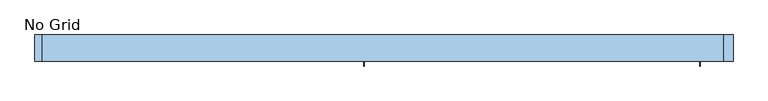
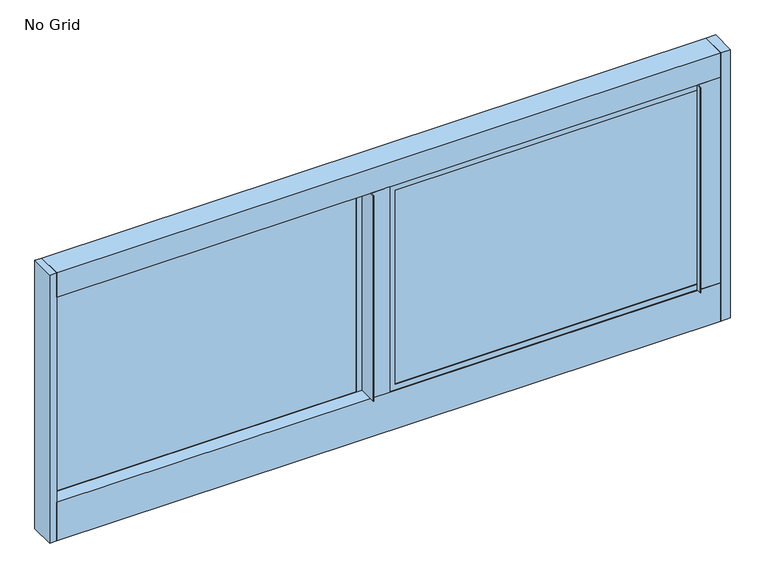
"""IFC4 building model written with IfcOpenShell, lengths in millimetres: window geometry, No Grid."""

from ifc_helpers import new_model, si_unit, point, frame, frame_2d, origin, place, context, project, spatial, polyline, circle_curve, trimmed, segment, composite_curve, outline, extrude, faceted_brep, source, transform, mapped, element, save


def no_grid_cf1e9272(model_context):
    return source(origin(), model_context, "Body", "SolidModel", [
        extrude(outline(polyline([(-52.6034, 21.6408), (-52.6034, 73.076068), (-0.762, 73.076068), (-0.762, 34.3408), (-51.0794, 34.3408), (-51.0794, 21.6408), (-52.6034, 21.6408)])), frame((0.0, 0.0, 1023.8232), z_axis=(0.0, 0.0, 1.0), x_axis=(1.0, 0.0, 0.0)), (0.0, 0.0, 1.0), 582.7268),
        extrude(outline(composite_curve([segment(polyline([(850.925936, 73.076068), (888.0602, 73.076068), (888.0602, 34.3408), (827.9384, 34.3408), (827.9384, 21.6408), (826.4144, 21.6408), (826.4144, 35.9156), (842.2894, 35.9156), (842.2894, 64.439532)]), True, "CONTINUOUS"), segment(trimmed(circle_curve(frame_2d((850.925936, 64.439532)), 8.636536), [point((842.2894, 64.439532))], [point((850.925936, 73.076068))], False, "CARTESIAN"), True, "CONTINUOUS")], self_intersect=False)), frame((0.0, 0.0, 1023.8232), z_axis=(0.0, 0.0, 1.0), x_axis=(1.0, 0.0, 0.0)), (0.0, 0.0, 1.0), 582.7268),
        extrude(outline(polyline([(-52.6034, 103.1748), (-0.762, 103.1748), (-0.762, 73.076068), (-52.6034, 73.076068), (-52.6034, 103.1748)])), frame((0.0, 0.0, 1007.9482), z_axis=(0.0, 0.0, 1.0), x_axis=(1.0, 0.0, 0.0)), (0.0, 0.0, 1.0), 614.4768),
        extrude(outline(polyline([(103.1748, 914.4), (34.3408, 914.4), (34.3408, 1023.8232), (73.076068, 1023.8232), (73.076068, 1007.9482), (103.1748, 1007.9482), (103.1748, 914.4)])), frame((-895.6548, 0.0, 0.0), z_axis=(1.0, 0.0, 0.0), x_axis=(0.0, 1.0, 0.0)), (0.0, 0.0, 1.0), 1783.715),
        extrude(outline(polyline([(103.1748, 1622.425), (73.076068, 1622.425), (73.076068, 1606.55), (34.3408, 1606.55), (34.3408, 1676.4), (103.1748, 1676.4), (103.1748, 1622.425)])), frame((-895.6548, 0.0, 0.0), z_axis=(1.0, 0.0, 0.0), x_axis=(0.0, 1.0, 0.0)), (0.0, 0.0, 1.0), 1783.715),
        extrude(outline(polyline([(-879.7798, 74.9807949), (-879.7798, 78.1557949), (-68.4784, 78.1557949), (-68.4784, 74.9807949), (-879.7798, 74.9807949)])), frame((0.0, 0.0, 1023.8232), z_axis=(0.0, 0.0, 1.0), x_axis=(1.0, 0.0, 0.0)), (0.0, 0.0, 1.0), 582.7268),
        extrude(outline(polyline([(-879.7798, 81.9911949), (-879.7798, 85.1661949), (-68.4784, 85.1661949), (-68.4784, 81.9911949), (-879.7798, 81.9911949)])), frame((0.0, 0.0, 1023.8232), z_axis=(0.0, 0.0, 1.0), x_axis=(1.0, 0.0, 0.0)), (0.0, 0.0, 1.0), 582.7268),
        extrude(outline(polyline([(888.0602, 103.1748), (914.4, 103.1748), (914.4, 34.3408), (888.0602, 34.3408), (888.0602, 103.1748)])), frame((0.0, 0.0, 914.4), z_axis=(0.0, 0.0, 1.0), x_axis=(1.0, 0.0, 0.0)), (0.0, 0.0, 1.0), 762.0),
        extrude(outline(polyline([(-895.6548, 103.1748), (-895.6548, 34.3408), (-914.4, 34.3408), (-914.4, 103.1748), (-895.6548, 103.1748)])), frame((0.0, 0.0, 914.4), z_axis=(0.0, 0.0, 1.0), x_axis=(1.0, 0.0, 0.0)), (0.0, 0.0, 1.0), 762.0),
        extrude(outline(polyline([(826.4144, 40.9953269), (826.4144, 37.8203269), (15.113, 37.8203269), (15.113, 40.9953269), (826.4144, 40.9953269)])), frame((0.0, 0.0, 1039.6982), z_axis=(0.0, 0.0, 1.0), x_axis=(1.0, 0.0, 0.0)), (0.0, 0.0, 1.0), 550.9768),
        extrude(outline(polyline([(826.4144, 48.0057269), (826.4144, 44.8307269), (15.113, 44.8307269), (15.113, 48.0057269), (826.4144, 48.0057269)])), frame((0.0, 0.0, 1039.6982), z_axis=(0.0, 0.0, 1.0), x_axis=(1.0, 0.0, 0.0)), (0.0, 0.0, 1.0), 550.9768),
        faceted_brep([(839.1906, 37.8203269, 1603.4512), (839.1906, 48.0057269, 1603.4512), (839.1906, 48.0057269, 1026.922), (839.1906, 37.8203269, 1026.922), (826.4144, 35.9156, 1590.675), (826.4144, 37.8203269, 1590.675), (826.4144, 37.8203269, 1039.6982), (826.4144, 35.9156, 1039.6982), (842.2894, 64.439532, 1606.55), (842.2894, 35.9156, 1606.55), (842.2894, 35.9156, 1023.8232), (842.2894, 64.439532, 1023.8232), (826.4144, 48.0057269, 1590.675), (826.4144, 64.439532, 1590.675), (826.4144, 64.439532, 1039.6982), (826.4144, 48.0057269, 1039.6982), (2.3368, 48.0057269, 1026.922), (2.3368, 37.8203269, 1026.922), (15.113, 37.8203269, 1039.6982), (15.113, 35.9156, 1039.6982), (-0.762, 35.9156, 1023.8232), (-0.762, 64.439532, 1023.8232), (15.113, 64.439532, 1039.6982), (15.113, 48.0057269, 1039.6982), (2.3368, 48.0057269, 1603.4512), (2.3368, 37.8203269, 1603.4512), (15.113, 37.8203269, 1590.675), (15.113, 35.9156, 1590.675), (-0.762, 35.9156, 1606.55), (-0.762, 64.439532, 1606.55), (15.113, 64.439532, 1590.675), (15.113, 48.0057269, 1590.675)], [[[0, 1, 2, 3]], [[4, 5, 6, 7]], [[8, 9, 10, 11]], [[12, 13, 14, 15]], [[3, 2, 16, 17]], [[7, 6, 18, 19]], [[11, 10, 20, 21]], [[15, 14, 22, 23]], [[17, 16, 24, 25]], [[19, 18, 26, 27]], [[21, 20, 28, 29]], [[23, 22, 30, 31]], [[1, 24, 16, 2], [15, 23, 31, 12]], [[25, 24, 1, 0]], [[3, 17, 25, 0], [5, 26, 18, 6]], [[27, 26, 5, 4]], [[9, 28, 20, 10], [7, 19, 27, 4]], [[29, 28, 9, 8]], [[11, 21, 29, 8], [13, 30, 22, 14]], [[31, 30, 13, 12]]]),
        faceted_brep([(-879.7798, 101.6, 1606.55), (-879.7798, 85.1661949, 1606.55), (-879.7798, 85.1661949, 1023.8232), (-879.7798, 101.6, 1023.8232), (-895.6548, 73.076068, 1622.425), (-895.6548, 101.6, 1622.425), (-895.6548, 101.6, 1007.9482), (-895.6548, 73.076068, 1007.9482), (-879.7798, 74.9807949, 1606.55), (-879.7798, 73.076068, 1606.55), (-879.7798, 73.076068, 1023.8232), (-879.7798, 74.9807949, 1023.8232), (-892.556, 85.1661949, 1619.3262), (-892.556, 74.9807949, 1619.3262), (-892.556, 74.9807949, 1011.047), (-892.556, 85.1661949, 1011.047), (-68.4784, 85.1661949, 1023.8232), (-68.4784, 101.6, 1023.8232), (-52.6034, 101.6, 1007.9482), (-52.6034, 73.076068, 1007.9482), (-68.4784, 73.076068, 1023.8232), (-68.4784, 74.9807949, 1023.8232), (-55.7022, 74.9807949, 1011.047), (-55.7022, 85.1661949, 1011.047), (-68.4784, 85.1661949, 1606.55), (-68.4784, 101.6, 1606.55), (-52.6034, 101.6, 1622.425), (-52.6034, 73.076068, 1622.425), (-68.4784, 73.076068, 1606.55), (-68.4784, 74.9807949, 1606.55), (-55.7022, 74.9807949, 1619.3262), (-55.7022, 85.1661949, 1619.3262)], [[[0, 1, 2, 3]], [[4, 5, 6, 7]], [[8, 9, 10, 11]], [[12, 13, 14, 15]], [[3, 2, 16, 17]], [[7, 6, 18, 19]], [[11, 10, 20, 21]], [[15, 14, 22, 23]], [[17, 16, 24, 25]], [[19, 18, 26, 27]], [[21, 20, 28, 29]], [[23, 22, 30, 31]], [[25, 24, 1, 0]], [[5, 26, 18, 6], [3, 17, 25, 0]], [[27, 26, 5, 4]], [[7, 19, 27, 4], [9, 28, 20, 10]], [[29, 28, 9, 8]], [[13, 30, 22, 14], [11, 21, 29, 8]], [[31, 30, 13, 12]], [[15, 23, 31, 12], [1, 24, 16, 2]]]),
    ])


if __name__ == "__main__":
    model = new_model("IFC4")
    model_context = context("Model", 3, world=origin())
    ifc_project = project(units=[si_unit("LENGTHUNIT", "METRE", prefix="MILLI")], contexts=[model_context])
    site = spatial("IfcSite", under=ifc_project)
    building = spatial("IfcBuilding", under=site)
    placement = place(None, origin())
    no_grid_shape = no_grid_cf1e9272(model_context)
    element("IfcWindow", 1, ObjectType="No Grid", at=placement, inside=building, context=model_context, shape_type="MappedRepresentation", body=[
        mapped(no_grid_shape, transform((0.0, 0.0, 0.0), x_axis=(1.0, 0.0, 0.0), y_axis=(0.0, 1.0, 0.0), z_axis=(0.0, 0.0, 1.0))),
    ])
    save(model, "model.ifc")
